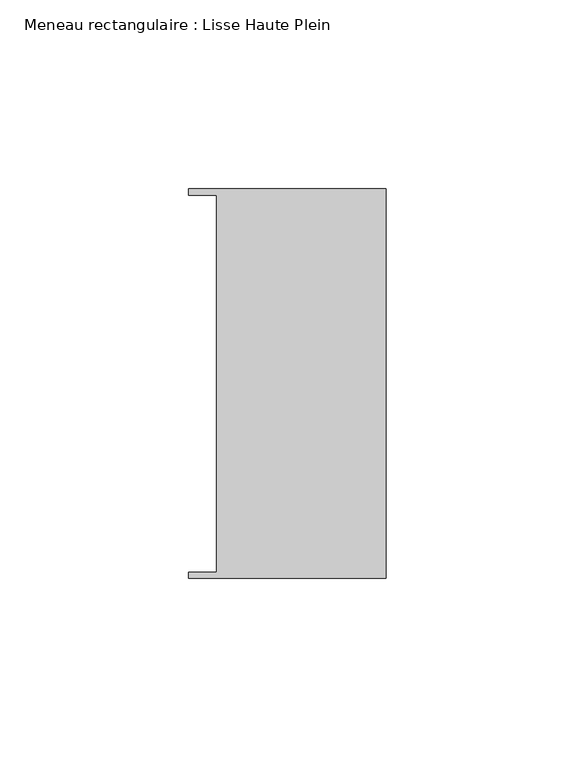
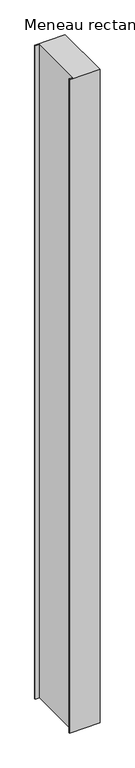
"""IFC4 building model written with IfcOpenShell, lengths in millimetres: member geometry, Meneau rectangulaire : Lisse Haute Plein."""

from ifc_helpers import new_model, si_unit, frame, origin, place, context, project, spatial, polyline, outline, extrude, source, transform, mapped, element, save


def meneau_rectangulaire_lisse_haute_plein_7a4f1463(model_context):
    return source(origin(), model_context, "Body", "SweptSolid", [
        extrude(outline(polyline([(-44.9064331, 49.9174073), (-52.3, 49.9174073), (-52.3, 51.585934), (0.0, 51.585934), (0.0, -51.6011428), (-52.3, -51.6011428), (-52.3, -49.9174073), (-44.9064331, -49.9174073), (-44.9064331, 49.9174073)])), frame((0.0, 0.0, -1184.8081902), z_axis=(0.0, 0.0, 1.0), x_axis=(1.0, 0.0, 0.0)), (0.0, 0.0, 1.0), 1184.8081902),
    ])


if __name__ == "__main__":
    model = new_model("IFC4")
    model_context = context("Model", 3, world=origin())
    ifc_project = project(units=[si_unit("LENGTHUNIT", "METRE", prefix="MILLI")], contexts=[model_context])
    site = spatial("IfcSite", under=ifc_project)
    building = spatial("IfcBuilding", under=site)
    placement = place(None, origin())
    meneau_rectangulaire_lisse_haute_plein_shape = meneau_rectangulaire_lisse_haute_plein_7a4f1463(model_context)
    element("IfcMember", 1, ObjectType="Meneau rectangulaire : Lisse Haute Plein", at=placement, inside=building, context=model_context, shape_type="MappedRepresentation", body=[
        mapped(meneau_rectangulaire_lisse_haute_plein_shape, transform((0.0, 0.0, 0.0), x_axis=(1.0, 0.0, 0.0), y_axis=(0.0, 1.0, 0.0), z_axis=(0.0, 0.0, 1.0))),
    ])
    save(model, "model.ifc")
